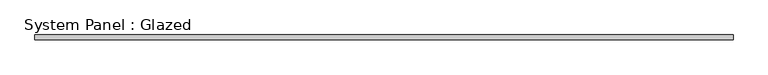
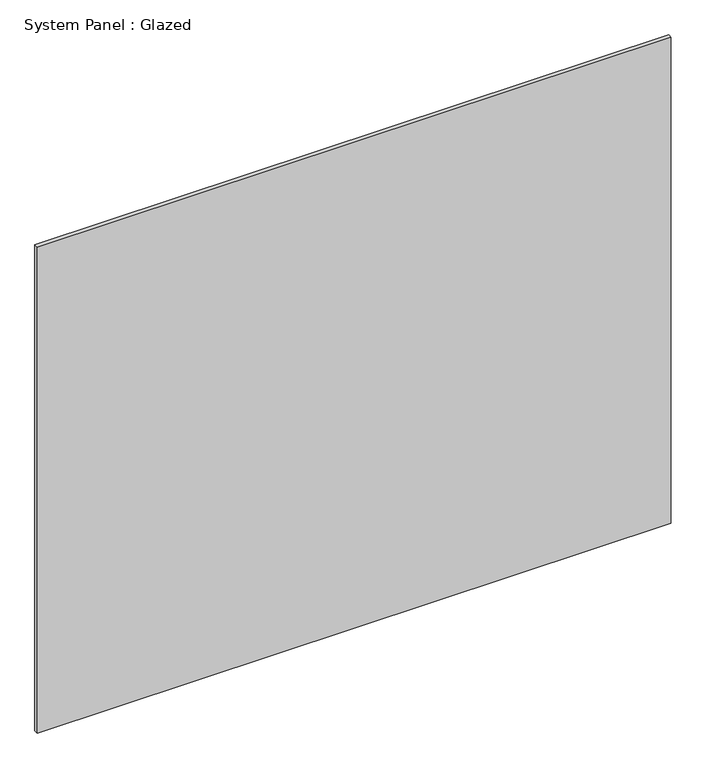
"""IFC4 building model written with IfcOpenShell, lengths in millimetres: plate geometry, System Panel : Glazed."""

import ifcopenshell
import ifcopenshell.guid

model = None  # the IFC model being written
_history = None  # IfcOwnerHistory: only IFC2X3 demands one
_inside = {}  # id of a spatial element -> (the spatial element, [elements in it])
_under = {}  # id of a project, library or spatial element -> (it, [spatial elements below it])
_declared = {}  # id of a project -> (the project, [libraries it declares])
_typed = {}  # id of a type object -> (the type object, [elements of that type])
_made_of = {}  # id of a material, layer set ... -> (it, [elements and type objects made of it])


def new_model(schema):
    """Start an empty IFC model of exactly this schema.

    Asked for "IFC4X3", IfcOpenShell would pick the latest addendum, in which some entities
    have other attributes; the version numbers below select the first issue.
    IFC2X3 requires an IfcOwnerHistory on every rooted entity: one is made here for all.
    """
    global model, _history
    if schema == "IFC4X3":
        model = ifcopenshell.file(schema_version=(4, 3, 0, 0))
    else:
        model = ifcopenshell.file(schema=schema)
    _inside.clear()
    _under.clear()
    _declared.clear()
    _typed.clear()
    _made_of.clear()
    _history = None
    if model.schema == "IFC2X3":
        org = make("IfcOrganization", Name="unknown")
        user = make(
            "IfcPersonAndOrganization",
            ThePerson=make("IfcPerson", FamilyName="unknown"),
            TheOrganization=org,
        )
        app = make(
            "IfcApplication",
            ApplicationDeveloper=org,
            Version="unknown",
            ApplicationFullName="unknown",
            ApplicationIdentifier="unknown",
        )
        _history = make(
            "IfcOwnerHistory",
            OwningUser=user,
            OwningApplication=app,
            ChangeAction="ADDED",
            CreationDate=0,
        )
    return model


def make(cls, **values):
    """One entity of the class cls with the attributes given. An attribute that is None is left unset."""
    return model.create_entity(
        cls, **{name: value for name, value in values.items() if value is not None}
    )


def rooted(cls, **values):
    """An entity with a GlobalId (a new one), such as an element, a storey or a relation."""
    return make(cls, GlobalId=ifcopenshell.guid.new(), OwnerHistory=_history, **values)


def si_unit(unit_type, name, prefix=None):
    """IfcSIUnit, for example si_unit("LENGTHUNIT", "METRE", prefix="MILLI")."""
    return make("IfcSIUnit", UnitType=unit_type, Prefix=prefix, Name=name)


def assignment(units):
    """IfcUnitAssignment: the units of a project."""
    return None if units is None else make("IfcUnitAssignment", Units=units)


def point(xyz):
    """IfcCartesianPoint."""
    return None if xyz is None else make("IfcCartesianPoint", Coordinates=xyz)


def direction(xyz):
    """IfcDirection."""
    return None if xyz is None else make("IfcDirection", DirectionRatios=xyz)


def frame(location, z_axis=None, x_axis=None):
    """IfcAxis2Placement3D, a coordinate frame: its origin and axes. An axis left out is left unset."""
    return make(
        "IfcAxis2Placement3D",
        Location=point(location),
        Axis=direction(z_axis),
        RefDirection=direction(x_axis),
    )


def origin():
    """The frame at (0, 0, 0) with its axes left unset."""
    return frame((0.0, 0.0, 0.0))


def origin_with_axes():
    """The frame at (0, 0, 0) with the z axis (0, 0, 1) and the x axis (1, 0, 0) written out."""
    return frame((0.0, 0.0, 0.0), z_axis=(0.0, 0.0, 1.0), x_axis=(1.0, 0.0, 0.0))


def place(relative_to, where):
    """IfcLocalPlacement: puts the frame where relative to a parent placement (None: the world)."""
    return make(
        "IfcLocalPlacement", PlacementRelTo=relative_to, RelativePlacement=where
    )


def context(
    kind, dimensions, precision=None, world=None, true_north=None, identifier=None
):
    """IfcGeometricRepresentationContext, for example the 3D "Model" context."""
    return make(
        "IfcGeometricRepresentationContext",
        ContextIdentifier=identifier,
        ContextType=kind,
        CoordinateSpaceDimension=dimensions,
        Precision=precision,
        WorldCoordinateSystem=world,
        TrueNorth=true_north,
    )


def project(units=None, contexts=None):
    """IfcProject with its units and contexts."""
    return rooted(
        "IfcProject",
        Name="project",
        RepresentationContexts=contexts,
        UnitsInContext=assignment(units),
    )


def spatial(cls, under=None, at=None, **own):
    """A site, building, storey or space (cls), placed at a placement, below another one or the project."""
    s = rooted(cls, ObjectPlacement=at, **own)
    if under is not None:
        _under.setdefault(under.id(), (under, []))[1].append(s)
    return s


def polyline(points):
    """IfcPolyline through the points."""
    return make("IfcPolyline", Points=[point(p) for p in points])


def outline(outer, holes=None, kind="AREA"):
    """IfcArbitraryClosedProfileDef: a profile drawn as a closed curve; with holes, ...WithVoids."""
    if holes is None:
        return make("IfcArbitraryClosedProfileDef", ProfileType=kind, OuterCurve=outer)
    return make(
        "IfcArbitraryProfileDefWithVoids",
        ProfileType=kind,
        OuterCurve=outer,
        InnerCurves=holes,
    )


def extrude(swept, where, along, depth):
    """IfcExtrudedAreaSolid: the profile swept, set in the frame where, extruded along a direction by depth."""
    return make(
        "IfcExtrudedAreaSolid",
        SweptArea=swept,
        Position=where,
        ExtrudedDirection=direction(along),
        Depth=depth,
    )


def shape(context_of_items, identifier, shape_type, items):
    """IfcShapeRepresentation: the items that make up one representation, for example the "Body"."""
    return make(
        "IfcShapeRepresentation",
        ContextOfItems=context_of_items,
        RepresentationIdentifier=identifier,
        RepresentationType=shape_type,
        Items=items,
    )


def source(mapping_origin, context_of_items, identifier, shape_type, items):
    """IfcRepresentationMap: a shape defined once, which mapped items show again and again."""
    return make(
        "IfcRepresentationMap",
        MappingOrigin=mapping_origin,
        MappedRepresentation=shape(context_of_items, identifier, shape_type, items),
    )


def transform(
    local_origin,
    x_axis=None,
    y_axis=None,
    z_axis=None,
    scale=None,
    scale2=None,
    scale3=None,
    uniform=True,
):
    """IfcCartesianTransformationOperator3D, or its non-uniform kind. x_axis, y_axis, z_axis: its Axis1, 2, 3."""
    if uniform:
        return make(
            "IfcCartesianTransformationOperator3D",
            Axis1=direction(x_axis),
            Axis2=direction(y_axis),
            LocalOrigin=point(local_origin),
            Scale=scale,
            Axis3=direction(z_axis),
        )
    return make(
        "IfcCartesianTransformationOperator3DnonUniform",
        Axis1=direction(x_axis),
        Axis2=direction(y_axis),
        LocalOrigin=point(local_origin),
        Scale=scale,
        Axis3=direction(z_axis),
        Scale2=scale2,
        Scale3=scale3,
    )


def mapped(mapping_source, mapping_target):
    """IfcMappedItem: shows the shape of a source again, moved by a transform."""
    return make(
        "IfcMappedItem", MappingSource=mapping_source, MappingTarget=mapping_target
    )


def made_of(thing, what):
    """Note that an element or type object is made of a material, layer set ...; save() writes the relation."""
    if what is not None:
        _made_of.setdefault(what.id(), (what, []))[1].append(thing)
    return thing


def element(
    cls,
    number,
    at=None,
    inside=None,
    cuts=None,
    type_object=None,
    material=None,
    context=None,
    identifier="Body",
    shape_type=None,
    held_by="IfcProductDefinitionShape",
    body=None,
    shapes=None,
    **own,
):
    """One element of the class cls, such as IfcWall. Its Tag is "e" and its number.

    at: its placement. inside: the storey or other place that contains it. cuts: it is an
    opening in that element (IfcRelVoidsElement). A single representation is given by context,
    identifier, shape_type and body (its items); several are given by shapes. held_by: the class
    of the entity that holds the representations. save() writes the other relations.
    """
    e = rooted(cls, Tag="e%d" % number, ObjectPlacement=at, **own)
    if body is not None:
        shapes = [shape(context, identifier, shape_type, body)]
    if shapes is not None:
        e.Representation = make(held_by, Representations=shapes)
    if inside is not None:
        _inside.setdefault(inside.id(), (inside, []))[1].append(e)
    if cuts is not None:
        rooted(
            "IfcRelVoidsElement", RelatingBuildingElement=cuts, RelatedOpeningElement=e
        )
    if type_object is not None:
        _typed.setdefault(type_object.id(), (type_object, []))[1].append(e)
    return made_of(e, material)


def aggregate(whole, parts):
    """IfcRelAggregates: a whole, such as a stair, and the parts it consists of."""
    return rooted("IfcRelAggregates", RelatingObject=whole, RelatedObjects=parts)


def save(model, path):
    """Write the relations noted so far, then the file.

    IfcRelAggregates (storeys below a building ...), IfcRelContainedInSpatialStructure (elements
    in a storey), IfcRelDefinesByType, IfcRelAssociatesMaterial and IfcRelDeclares: one each for
    every whole, place, type object, material and project.
    """
    for whole, parts in _under.values():
        aggregate(whole, parts)
    for where, things in _inside.values():
        rooted(
            "IfcRelContainedInSpatialStructure",
            RelatedElements=things,
            RelatingStructure=where,
        )
    for kind, things in _typed.values():
        rooted("IfcRelDefinesByType", RelatedObjects=things, RelatingType=kind)
    for what, things in _made_of.values():
        rooted("IfcRelAssociatesMaterial", RelatedObjects=things, RelatingMaterial=what)
    for by, libraries in _declared.values():
        rooted("IfcRelDeclares", RelatingContext=by, RelatedDefinitions=libraries)
    model.write(path)


def system_panel_glazed_354272a3(model_context):
    return source(origin(), model_context, "Body", "SweptSolid", [
        extrude(outline(polyline([(1852.1499634, -49.5), (-1852.1499634, -49.5), (-1852.1499634, -24.5), (1852.1499634, -24.5), (1852.1499634, -49.5)])), origin_with_axes(), (0.0, 0.0, 1.0), 3000.0),
    ])


if __name__ == "__main__":
    model = new_model("IFC4")
    model_context = context("Model", 3, world=origin())
    ifc_project = project(units=[si_unit("LENGTHUNIT", "METRE", prefix="MILLI")], contexts=[model_context])
    site = spatial("IfcSite", under=ifc_project)
    building = spatial("IfcBuilding", under=site)
    placement = place(None, origin())
    system_panel_glazed_shape = system_panel_glazed_354272a3(model_context)
    element("IfcPlate", 1, ObjectType="System Panel : Glazed", at=placement, inside=building, context=model_context, shape_type="MappedRepresentation", body=[
        mapped(system_panel_glazed_shape, transform((0.0, 0.0, 0.0), x_axis=(1.0, 0.0, 0.0), y_axis=(0.0, 1.0, 0.0), z_axis=(0.0, 0.0, 1.0))),
    ])
    save(model, "model.ifc")
